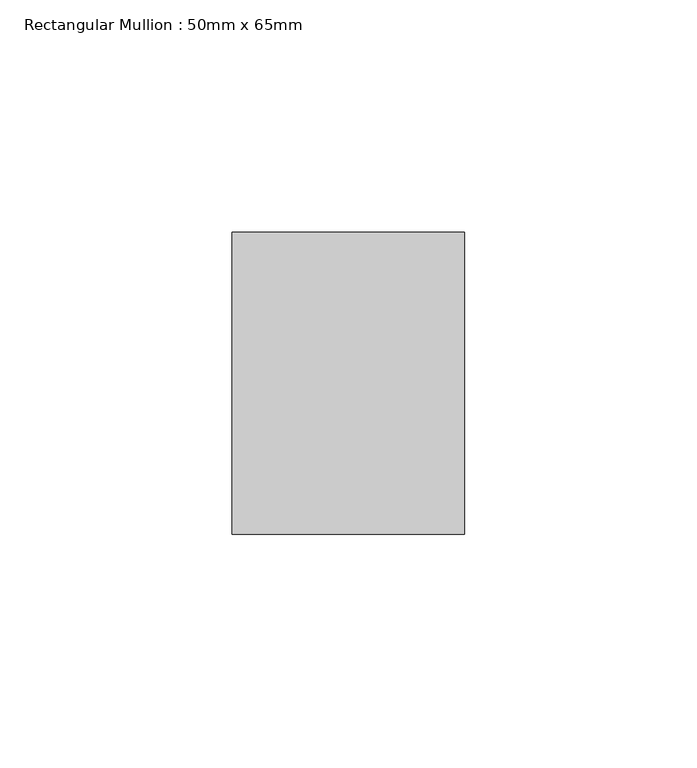
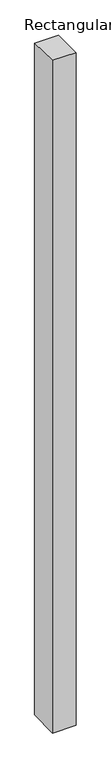
"""IFC4 building model written with IfcOpenShell, lengths in millimetres: member geometry, Rectangular Mullion : 50mm x 65mm."""

import ifcopenshell
import ifcopenshell.guid

model = None  # the IFC model being written
_history = None  # IfcOwnerHistory: only IFC2X3 demands one
_inside = {}  # id of a spatial element -> (the spatial element, [elements in it])
_under = {}  # id of a project, library or spatial element -> (it, [spatial elements below it])
_declared = {}  # id of a project -> (the project, [libraries it declares])
_typed = {}  # id of a type object -> (the type object, [elements of that type])
_made_of = {}  # id of a material, layer set ... -> (it, [elements and type objects made of it])


def new_model(schema):
    """Start an empty IFC model of exactly this schema.

    Asked for "IFC4X3", IfcOpenShell would pick the latest addendum, in which some entities
    have other attributes; the version numbers below select the first issue.
    IFC2X3 requires an IfcOwnerHistory on every rooted entity: one is made here for all.
    """
    global model, _history
    if schema == "IFC4X3":
        model = ifcopenshell.file(schema_version=(4, 3, 0, 0))
    else:
        model = ifcopenshell.file(schema=schema)
    _inside.clear()
    _under.clear()
    _declared.clear()
    _typed.clear()
    _made_of.clear()
    _history = None
    if model.schema == "IFC2X3":
        org = make("IfcOrganization", Name="unknown")
        user = make(
            "IfcPersonAndOrganization",
            ThePerson=make("IfcPerson", FamilyName="unknown"),
            TheOrganization=org,
        )
        app = make(
            "IfcApplication",
            ApplicationDeveloper=org,
            Version="unknown",
            ApplicationFullName="unknown",
            ApplicationIdentifier="unknown",
        )
        _history = make(
            "IfcOwnerHistory",
            OwningUser=user,
            OwningApplication=app,
            ChangeAction="ADDED",
            CreationDate=0,
        )
    return model


def make(cls, **values):
    """One entity of the class cls with the attributes given. An attribute that is None is left unset."""
    return model.create_entity(
        cls, **{name: value for name, value in values.items() if value is not None}
    )


def rooted(cls, **values):
    """An entity with a GlobalId (a new one), such as an element, a storey or a relation."""
    return make(cls, GlobalId=ifcopenshell.guid.new(), OwnerHistory=_history, **values)


def si_unit(unit_type, name, prefix=None):
    """IfcSIUnit, for example si_unit("LENGTHUNIT", "METRE", prefix="MILLI")."""
    return make("IfcSIUnit", UnitType=unit_type, Prefix=prefix, Name=name)


def assignment(units):
    """IfcUnitAssignment: the units of a project."""
    return None if units is None else make("IfcUnitAssignment", Units=units)


def point(xyz):
    """IfcCartesianPoint."""
    return None if xyz is None else make("IfcCartesianPoint", Coordinates=xyz)


def direction(xyz):
    """IfcDirection."""
    return None if xyz is None else make("IfcDirection", DirectionRatios=xyz)


def frame(location, z_axis=None, x_axis=None):
    """IfcAxis2Placement3D, a coordinate frame: its origin and axes. An axis left out is left unset."""
    return make(
        "IfcAxis2Placement3D",
        Location=point(location),
        Axis=direction(z_axis),
        RefDirection=direction(x_axis),
    )


def origin():
    """The frame at (0, 0, 0) with its axes left unset."""
    return frame((0.0, 0.0, 0.0))


def place(relative_to, where):
    """IfcLocalPlacement: puts the frame where relative to a parent placement (None: the world)."""
    return make(
        "IfcLocalPlacement", PlacementRelTo=relative_to, RelativePlacement=where
    )


def context(
    kind, dimensions, precision=None, world=None, true_north=None, identifier=None
):
    """IfcGeometricRepresentationContext, for example the 3D "Model" context."""
    return make(
        "IfcGeometricRepresentationContext",
        ContextIdentifier=identifier,
        ContextType=kind,
        CoordinateSpaceDimension=dimensions,
        Precision=precision,
        WorldCoordinateSystem=world,
        TrueNorth=true_north,
    )


def project(units=None, contexts=None):
    """IfcProject with its units and contexts."""
    return rooted(
        "IfcProject",
        Name="project",
        RepresentationContexts=contexts,
        UnitsInContext=assignment(units),
    )


def spatial(cls, under=None, at=None, **own):
    """A site, building, storey or space (cls), placed at a placement, below another one or the project."""
    s = rooted(cls, ObjectPlacement=at, **own)
    if under is not None:
        _under.setdefault(under.id(), (under, []))[1].append(s)
    return s


def faces_of(points, faces, orient=None, outer=None):
    """IfcFace entities. A face is a list of loops; a loop is a list of indices into points, from 0.

    orient and outer hold one flag for each loop. By default every Orientation is true, the
    first loop of a face is its IfcFaceOuterBound and the others are IfcFaceBound.
    """
    made = []
    for i, loops in enumerate(faces):
        bounds = []
        for j, loop in enumerate(loops):
            is_outer = j == 0 if outer is None else outer[i][j]
            bounds.append(
                make(
                    "IfcFaceOuterBound" if is_outer else "IfcFaceBound",
                    Bound=make("IfcPolyLoop", Polygon=[points[k] for k in loop]),
                    Orientation=True if orient is None else orient[i][j],
                )
            )
        made.append(make("IfcFace", Bounds=bounds))
    return made


def faceted_brep(points, faces, orient=None, outer=None, voids=None):
    """IfcFacetedBrep: a solid bounded by flat faces; with voids (closed shells), ...WithVoids."""
    shared = [point(p) for p in points]
    hull = make("IfcClosedShell", CfsFaces=faces_of(shared, faces, orient, outer))
    if voids is None:
        return make("IfcFacetedBrep", Outer=hull)
    return make(
        "IfcFacetedBrepWithVoids",
        Outer=hull,
        Voids=[
            make(cls, CfsFaces=faces_of(shared, fs, o, b)) for cls, fs, o, b in voids
        ],
    )


def shape(context_of_items, identifier, shape_type, items):
    """IfcShapeRepresentation: the items that make up one representation, for example the "Body"."""
    return make(
        "IfcShapeRepresentation",
        ContextOfItems=context_of_items,
        RepresentationIdentifier=identifier,
        RepresentationType=shape_type,
        Items=items,
    )


def source(mapping_origin, context_of_items, identifier, shape_type, items):
    """IfcRepresentationMap: a shape defined once, which mapped items show again and again."""
    return make(
        "IfcRepresentationMap",
        MappingOrigin=mapping_origin,
        MappedRepresentation=shape(context_of_items, identifier, shape_type, items),
    )


def transform(
    local_origin,
    x_axis=None,
    y_axis=None,
    z_axis=None,
    scale=None,
    scale2=None,
    scale3=None,
    uniform=True,
):
    """IfcCartesianTransformationOperator3D, or its non-uniform kind. x_axis, y_axis, z_axis: its Axis1, 2, 3."""
    if uniform:
        return make(
            "IfcCartesianTransformationOperator3D",
            Axis1=direction(x_axis),
            Axis2=direction(y_axis),
            LocalOrigin=point(local_origin),
            Scale=scale,
            Axis3=direction(z_axis),
        )
    return make(
        "IfcCartesianTransformationOperator3DnonUniform",
        Axis1=direction(x_axis),
        Axis2=direction(y_axis),
        LocalOrigin=point(local_origin),
        Scale=scale,
        Axis3=direction(z_axis),
        Scale2=scale2,
        Scale3=scale3,
    )


def mapped(mapping_source, mapping_target):
    """IfcMappedItem: shows the shape of a source again, moved by a transform."""
    return make(
        "IfcMappedItem", MappingSource=mapping_source, MappingTarget=mapping_target
    )


def made_of(thing, what):
    """Note that an element or type object is made of a material, layer set ...; save() writes the relation."""
    if what is not None:
        _made_of.setdefault(what.id(), (what, []))[1].append(thing)
    return thing


def element(
    cls,
    number,
    at=None,
    inside=None,
    cuts=None,
    type_object=None,
    material=None,
    context=None,
    identifier="Body",
    shape_type=None,
    held_by="IfcProductDefinitionShape",
    body=None,
    shapes=None,
    **own,
):
    """One element of the class cls, such as IfcWall. Its Tag is "e" and its number.

    at: its placement. inside: the storey or other place that contains it. cuts: it is an
    opening in that element (IfcRelVoidsElement). A single representation is given by context,
    identifier, shape_type and body (its items); several are given by shapes. held_by: the class
    of the entity that holds the representations. save() writes the other relations.
    """
    e = rooted(cls, Tag="e%d" % number, ObjectPlacement=at, **own)
    if body is not None:
        shapes = [shape(context, identifier, shape_type, body)]
    if shapes is not None:
        e.Representation = make(held_by, Representations=shapes)
    if inside is not None:
        _inside.setdefault(inside.id(), (inside, []))[1].append(e)
    if cuts is not None:
        rooted(
            "IfcRelVoidsElement", RelatingBuildingElement=cuts, RelatedOpeningElement=e
        )
    if type_object is not None:
        _typed.setdefault(type_object.id(), (type_object, []))[1].append(e)
    return made_of(e, material)


def aggregate(whole, parts):
    """IfcRelAggregates: a whole, such as a stair, and the parts it consists of."""
    return rooted("IfcRelAggregates", RelatingObject=whole, RelatedObjects=parts)


def save(model, path):
    """Write the relations noted so far, then the file.

    IfcRelAggregates (storeys below a building ...), IfcRelContainedInSpatialStructure (elements
    in a storey), IfcRelDefinesByType, IfcRelAssociatesMaterial and IfcRelDeclares: one each for
    every whole, place, type object, material and project.
    """
    for whole, parts in _under.values():
        aggregate(whole, parts)
    for where, things in _inside.values():
        rooted(
            "IfcRelContainedInSpatialStructure",
            RelatedElements=things,
            RelatingStructure=where,
        )
    for kind, things in _typed.values():
        rooted("IfcRelDefinesByType", RelatedObjects=things, RelatingType=kind)
    for what, things in _made_of.values():
        rooted("IfcRelAssociatesMaterial", RelatedObjects=things, RelatingMaterial=what)
    for by, libraries in _declared.values():
        rooted("IfcRelDeclares", RelatingContext=by, RelatedDefinitions=libraries)
    model.write(path)


def rectangular_mullion_50mm_x_65mm_fd451243(model_context):
    return source(origin(), model_context, "Body", "Brep", [
        faceted_brep([(-25.0, 32.5, -0.6022167), (25.0, 32.5, -0.6022163), (25.0, 32.5, -1499.4361032), (-25.0, 32.5, -1499.4361028), (-25.0, -32.5, 0.6022163), (-25.0, -32.5, -1500.5635526), (25.0, -32.5, 0.6022167), (25.0, -32.5, -1500.563553)], [[[0, 1, 2, 3]], [[4, 0, 3, 5]], [[6, 4, 5, 7]], [[1, 6, 7, 2]], [[1, 0, 4, 6]], [[2, 7, 5, 3]]]),
    ])


if __name__ == "__main__":
    model = new_model("IFC4")
    model_context = context("Model", 3, world=origin())
    ifc_project = project(units=[si_unit("LENGTHUNIT", "METRE", prefix="MILLI")], contexts=[model_context])
    site = spatial("IfcSite", under=ifc_project)
    building = spatial("IfcBuilding", under=site)
    placement = place(None, origin())
    rectangular_mullion_50mm_x_65mm_shape = rectangular_mullion_50mm_x_65mm_fd451243(model_context)
    element("IfcMember", 1, ObjectType="Rectangular Mullion : 50mm x 65mm", at=placement, inside=building, context=model_context, shape_type="MappedRepresentation", body=[
        mapped(rectangular_mullion_50mm_x_65mm_shape, transform((0.0, 0.0, 0.0), x_axis=(1.0, 0.0, 0.0), y_axis=(0.0, 1.0, 0.0), z_axis=(0.0, 0.0, 1.0))),
    ])
    save(model, "model.ifc")
